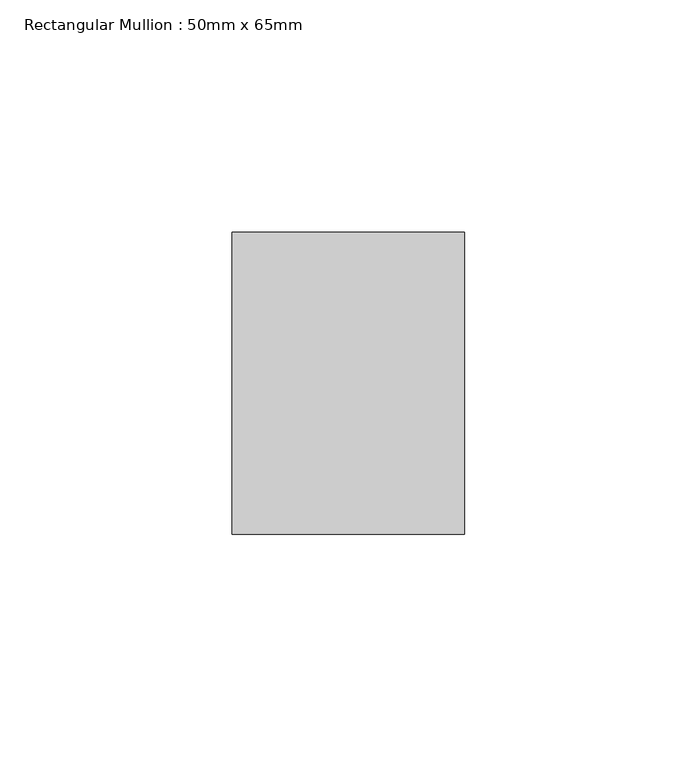
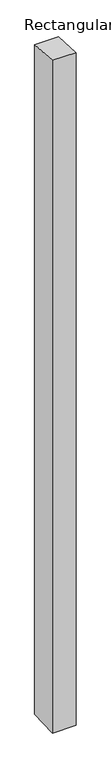
"""IFC4 building model written with IfcOpenShell, lengths in millimetres: member geometry, Rectangular Mullion : 50mm x 65mm."""

from ifc_helpers import new_model, si_unit, origin, place, context, project, spatial, faceted_brep, source, transform, mapped, element, save


def rectangular_mullion_50mm_x_65mm_377e3452(model_context):
    return source(origin(), model_context, "Body", "Brep", [
        faceted_brep([(-25.0, 32.5, -2.1659776), (25.0, 32.5, -2.1659784), (25.0, 32.5, -1498.7588476), (-25.0, 32.5, -1498.7588479), (-25.0, -32.5, 2.1659784), (-25.0, -32.5, -1501.2410307), (25.0, -32.5, 2.1659776), (25.0, -32.5, -1501.2410303)], [[[0, 1, 2, 3]], [[4, 0, 3, 5]], [[6, 4, 5, 7]], [[1, 6, 7, 2]], [[1, 0, 4, 6]], [[2, 7, 5, 3]]]),
    ])


if __name__ == "__main__":
    model = new_model("IFC4")
    model_context = context("Model", 3, world=origin())
    ifc_project = project(units=[si_unit("LENGTHUNIT", "METRE", prefix="MILLI")], contexts=[model_context])
    site = spatial("IfcSite", under=ifc_project)
    building = spatial("IfcBuilding", under=site)
    placement = place(None, origin())
    rectangular_mullion_50mm_x_65mm_shape = rectangular_mullion_50mm_x_65mm_377e3452(model_context)
    element("IfcMember", 1, ObjectType="Rectangular Mullion : 50mm x 65mm", at=placement, inside=building, context=model_context, shape_type="MappedRepresentation", body=[
        mapped(rectangular_mullion_50mm_x_65mm_shape, transform((0.0, 0.0, 0.0), x_axis=(1.0, 0.0, 0.0), y_axis=(0.0, 1.0, 0.0), z_axis=(0.0, 0.0, 1.0))),
    ])
    save(model, "model.ifc")
